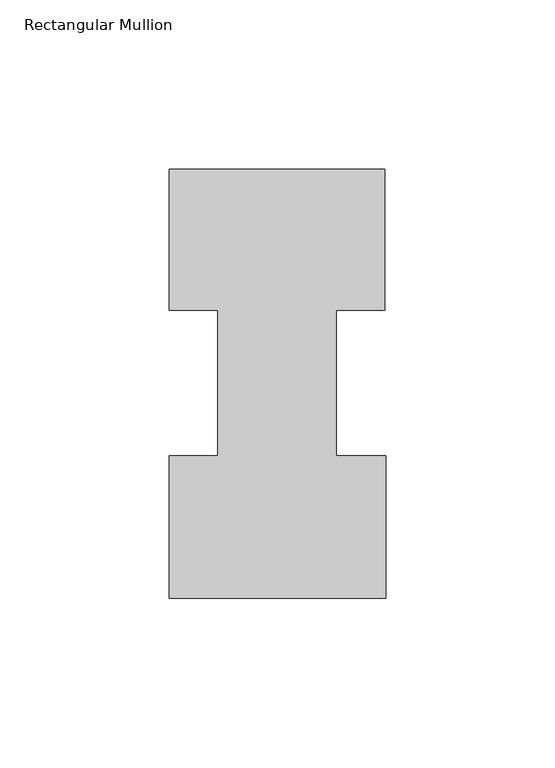
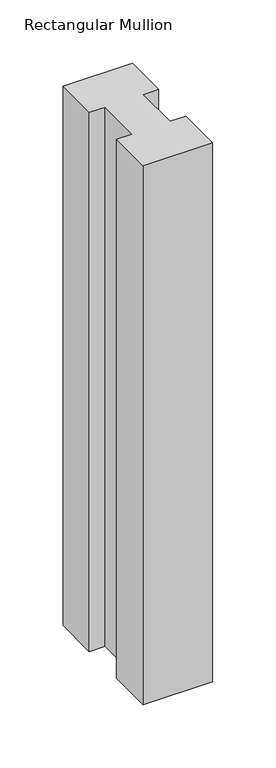
"""IFC4 building model written with IfcOpenShell, lengths in millimetres: member geometry, Rectangular Mullion."""

import ifcopenshell
import ifcopenshell.guid

model = None  # the IFC model being written
_history = None  # IfcOwnerHistory: only IFC2X3 demands one
_inside = {}  # id of a spatial element -> (the spatial element, [elements in it])
_under = {}  # id of a project, library or spatial element -> (it, [spatial elements below it])
_declared = {}  # id of a project -> (the project, [libraries it declares])
_typed = {}  # id of a type object -> (the type object, [elements of that type])
_made_of = {}  # id of a material, layer set ... -> (it, [elements and type objects made of it])


def new_model(schema):
    """Start an empty IFC model of exactly this schema.

    Asked for "IFC4X3", IfcOpenShell would pick the latest addendum, in which some entities
    have other attributes; the version numbers below select the first issue.
    IFC2X3 requires an IfcOwnerHistory on every rooted entity: one is made here for all.
    """
    global model, _history
    if schema == "IFC4X3":
        model = ifcopenshell.file(schema_version=(4, 3, 0, 0))
    else:
        model = ifcopenshell.file(schema=schema)
    _inside.clear()
    _under.clear()
    _declared.clear()
    _typed.clear()
    _made_of.clear()
    _history = None
    if model.schema == "IFC2X3":
        org = make("IfcOrganization", Name="unknown")
        user = make(
            "IfcPersonAndOrganization",
            ThePerson=make("IfcPerson", FamilyName="unknown"),
            TheOrganization=org,
        )
        app = make(
            "IfcApplication",
            ApplicationDeveloper=org,
            Version="unknown",
            ApplicationFullName="unknown",
            ApplicationIdentifier="unknown",
        )
        _history = make(
            "IfcOwnerHistory",
            OwningUser=user,
            OwningApplication=app,
            ChangeAction="ADDED",
            CreationDate=0,
        )
    return model


def make(cls, **values):
    """One entity of the class cls with the attributes given. An attribute that is None is left unset."""
    return model.create_entity(
        cls, **{name: value for name, value in values.items() if value is not None}
    )


def rooted(cls, **values):
    """An entity with a GlobalId (a new one), such as an element, a storey or a relation."""
    return make(cls, GlobalId=ifcopenshell.guid.new(), OwnerHistory=_history, **values)


def si_unit(unit_type, name, prefix=None):
    """IfcSIUnit, for example si_unit("LENGTHUNIT", "METRE", prefix="MILLI")."""
    return make("IfcSIUnit", UnitType=unit_type, Prefix=prefix, Name=name)


def assignment(units):
    """IfcUnitAssignment: the units of a project."""
    return None if units is None else make("IfcUnitAssignment", Units=units)


def point(xyz):
    """IfcCartesianPoint."""
    return None if xyz is None else make("IfcCartesianPoint", Coordinates=xyz)


def direction(xyz):
    """IfcDirection."""
    return None if xyz is None else make("IfcDirection", DirectionRatios=xyz)


def frame(location, z_axis=None, x_axis=None):
    """IfcAxis2Placement3D, a coordinate frame: its origin and axes. An axis left out is left unset."""
    return make(
        "IfcAxis2Placement3D",
        Location=point(location),
        Axis=direction(z_axis),
        RefDirection=direction(x_axis),
    )


def origin():
    """The frame at (0, 0, 0) with its axes left unset."""
    return frame((0.0, 0.0, 0.0))


def place(relative_to, where):
    """IfcLocalPlacement: puts the frame where relative to a parent placement (None: the world)."""
    return make(
        "IfcLocalPlacement", PlacementRelTo=relative_to, RelativePlacement=where
    )


def context(
    kind, dimensions, precision=None, world=None, true_north=None, identifier=None
):
    """IfcGeometricRepresentationContext, for example the 3D "Model" context."""
    return make(
        "IfcGeometricRepresentationContext",
        ContextIdentifier=identifier,
        ContextType=kind,
        CoordinateSpaceDimension=dimensions,
        Precision=precision,
        WorldCoordinateSystem=world,
        TrueNorth=true_north,
    )


def project(units=None, contexts=None):
    """IfcProject with its units and contexts."""
    return rooted(
        "IfcProject",
        Name="project",
        RepresentationContexts=contexts,
        UnitsInContext=assignment(units),
    )


def spatial(cls, under=None, at=None, **own):
    """A site, building, storey or space (cls), placed at a placement, below another one or the project."""
    s = rooted(cls, ObjectPlacement=at, **own)
    if under is not None:
        _under.setdefault(under.id(), (under, []))[1].append(s)
    return s


def polyline(points):
    """IfcPolyline through the points."""
    return make("IfcPolyline", Points=[point(p) for p in points])


def outline(outer, holes=None, kind="AREA"):
    """IfcArbitraryClosedProfileDef: a profile drawn as a closed curve; with holes, ...WithVoids."""
    if holes is None:
        return make("IfcArbitraryClosedProfileDef", ProfileType=kind, OuterCurve=outer)
    return make(
        "IfcArbitraryProfileDefWithVoids",
        ProfileType=kind,
        OuterCurve=outer,
        InnerCurves=holes,
    )


def extrude(swept, where, along, depth):
    """IfcExtrudedAreaSolid: the profile swept, set in the frame where, extruded along a direction by depth."""
    return make(
        "IfcExtrudedAreaSolid",
        SweptArea=swept,
        Position=where,
        ExtrudedDirection=direction(along),
        Depth=depth,
    )


def shape(context_of_items, identifier, shape_type, items):
    """IfcShapeRepresentation: the items that make up one representation, for example the "Body"."""
    return make(
        "IfcShapeRepresentation",
        ContextOfItems=context_of_items,
        RepresentationIdentifier=identifier,
        RepresentationType=shape_type,
        Items=items,
    )


def source(mapping_origin, context_of_items, identifier, shape_type, items):
    """IfcRepresentationMap: a shape defined once, which mapped items show again and again."""
    return make(
        "IfcRepresentationMap",
        MappingOrigin=mapping_origin,
        MappedRepresentation=shape(context_of_items, identifier, shape_type, items),
    )


def transform(
    local_origin,
    x_axis=None,
    y_axis=None,
    z_axis=None,
    scale=None,
    scale2=None,
    scale3=None,
    uniform=True,
):
    """IfcCartesianTransformationOperator3D, or its non-uniform kind. x_axis, y_axis, z_axis: its Axis1, 2, 3."""
    if uniform:
        return make(
            "IfcCartesianTransformationOperator3D",
            Axis1=direction(x_axis),
            Axis2=direction(y_axis),
            LocalOrigin=point(local_origin),
            Scale=scale,
            Axis3=direction(z_axis),
        )
    return make(
        "IfcCartesianTransformationOperator3DnonUniform",
        Axis1=direction(x_axis),
        Axis2=direction(y_axis),
        LocalOrigin=point(local_origin),
        Scale=scale,
        Axis3=direction(z_axis),
        Scale2=scale2,
        Scale3=scale3,
    )


def mapped(mapping_source, mapping_target):
    """IfcMappedItem: shows the shape of a source again, moved by a transform."""
    return make(
        "IfcMappedItem", MappingSource=mapping_source, MappingTarget=mapping_target
    )


def made_of(thing, what):
    """Note that an element or type object is made of a material, layer set ...; save() writes the relation."""
    if what is not None:
        _made_of.setdefault(what.id(), (what, []))[1].append(thing)
    return thing


def element(
    cls,
    number,
    at=None,
    inside=None,
    cuts=None,
    type_object=None,
    material=None,
    context=None,
    identifier="Body",
    shape_type=None,
    held_by="IfcProductDefinitionShape",
    body=None,
    shapes=None,
    **own,
):
    """One element of the class cls, such as IfcWall. Its Tag is "e" and its number.

    at: its placement. inside: the storey or other place that contains it. cuts: it is an
    opening in that element (IfcRelVoidsElement). A single representation is given by context,
    identifier, shape_type and body (its items); several are given by shapes. held_by: the class
    of the entity that holds the representations. save() writes the other relations.
    """
    e = rooted(cls, Tag="e%d" % number, ObjectPlacement=at, **own)
    if body is not None:
        shapes = [shape(context, identifier, shape_type, body)]
    if shapes is not None:
        e.Representation = make(held_by, Representations=shapes)
    if inside is not None:
        _inside.setdefault(inside.id(), (inside, []))[1].append(e)
    if cuts is not None:
        rooted(
            "IfcRelVoidsElement", RelatingBuildingElement=cuts, RelatedOpeningElement=e
        )
    if type_object is not None:
        _typed.setdefault(type_object.id(), (type_object, []))[1].append(e)
    return made_of(e, material)


def aggregate(whole, parts):
    """IfcRelAggregates: a whole, such as a stair, and the parts it consists of."""
    return rooted("IfcRelAggregates", RelatingObject=whole, RelatedObjects=parts)


def save(model, path):
    """Write the relations noted so far, then the file.

    IfcRelAggregates (storeys below a building ...), IfcRelContainedInSpatialStructure (elements
    in a storey), IfcRelDefinesByType, IfcRelAssociatesMaterial and IfcRelDeclares: one each for
    every whole, place, type object, material and project.
    """
    for whole, parts in _under.values():
        aggregate(whole, parts)
    for where, things in _inside.values():
        rooted(
            "IfcRelContainedInSpatialStructure",
            RelatedElements=things,
            RelatingStructure=where,
        )
    for kind, things in _typed.values():
        rooted("IfcRelDefinesByType", RelatedObjects=things, RelatingType=kind)
    for what, things in _made_of.values():
        rooted("IfcRelAssociatesMaterial", RelatedObjects=things, RelatingMaterial=what)
    for by, libraries in _declared.values():
        rooted("IfcRelDeclares", RelatingContext=by, RelatedDefinitions=libraries)
    model.write(path)


def rectangular_mullion_0a3c6992(model_context):
    return source(origin(), model_context, "Body", "SweptSolid", [
        extrude(outline(polyline([(-49.21504, 85.1296875), (-63.5, 85.1296875), (-63.5, 126.7349164), (0.0, 126.7349164), (0.0, 85.1296875), (-14.2748, 85.1296875), (-14.2748, 42.2799164), (0.2408142, 42.2799164), (0.2408142, 0.2429164), (-63.5, 0.2429164), (-63.5, 42.2799164), (-49.21504, 42.2799164), (-49.21504, 85.1296875)])), frame((0.0, 0.0, -520.7), z_axis=(0.0, 0.0, 1.0), x_axis=(1.0, 0.0, 0.0)), (0.0, 0.0, 1.0), 520.7),
    ])


if __name__ == "__main__":
    model = new_model("IFC4")
    model_context = context("Model", 3, world=origin())
    ifc_project = project(units=[si_unit("LENGTHUNIT", "METRE", prefix="MILLI")], contexts=[model_context])
    site = spatial("IfcSite", under=ifc_project)
    building = spatial("IfcBuilding", under=site)
    placement = place(None, origin())
    rectangular_mullion_shape = rectangular_mullion_0a3c6992(model_context)
    element("IfcMember", 1, ObjectType="Rectangular Mullion", at=placement, inside=building, context=model_context, shape_type="MappedRepresentation", body=[
        mapped(rectangular_mullion_shape, transform((0.0, 0.0, 0.0), x_axis=(1.0, 0.0, 0.0), y_axis=(0.0, 1.0, 0.0), z_axis=(0.0, 0.0, 1.0))),
    ])
    save(model, "model.ifc")
